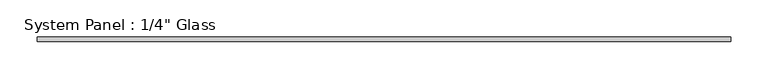
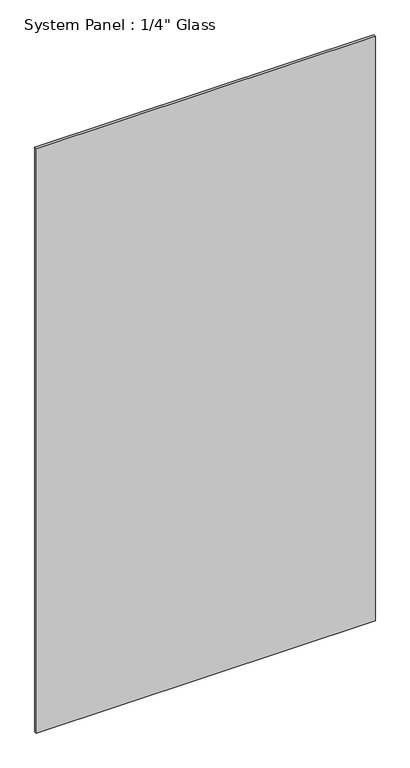
"""IFC4 building model written with IfcOpenShell, lengths in millimetres: plate geometry."""

from ifc_helpers import new_model, si_unit, origin, origin_with_axes, place, context, project, spatial, polyline, outline, extrude, source, transform, mapped, element, save


def plate_9c4bf5fa(model_context):
    return source(origin(), model_context, "Body", "SweptSolid", [
        extrude(outline(polyline([(465.4759605, -3.175), (-465.4759605, -3.175), (-465.4759605, 3.175), (465.4759605, 3.175), (465.4759605, -3.175)])), origin_with_axes(), (0.0, 0.0, 1.0), 1695.45),
    ])


if __name__ == "__main__":
    model = new_model("IFC4")
    model_context = context("Model", 3, world=origin())
    ifc_project = project(units=[si_unit("LENGTHUNIT", "METRE", prefix="MILLI")], contexts=[model_context])
    site = spatial("IfcSite", under=ifc_project)
    building = spatial("IfcBuilding", under=site)
    placement = place(None, origin())
    plate_shape = plate_9c4bf5fa(model_context)
    element("IfcPlate", 1, ObjectType="System Panel : 1/4\" Glass", at=placement, inside=building, context=model_context, shape_type="MappedRepresentation", body=[
        mapped(plate_shape, transform((0.0, 0.0, 0.0), x_axis=(1.0, 0.0, 0.0), y_axis=(0.0, 1.0, 0.0), z_axis=(0.0, 0.0, 1.0))),
    ])
    save(model, "model.ifc")
